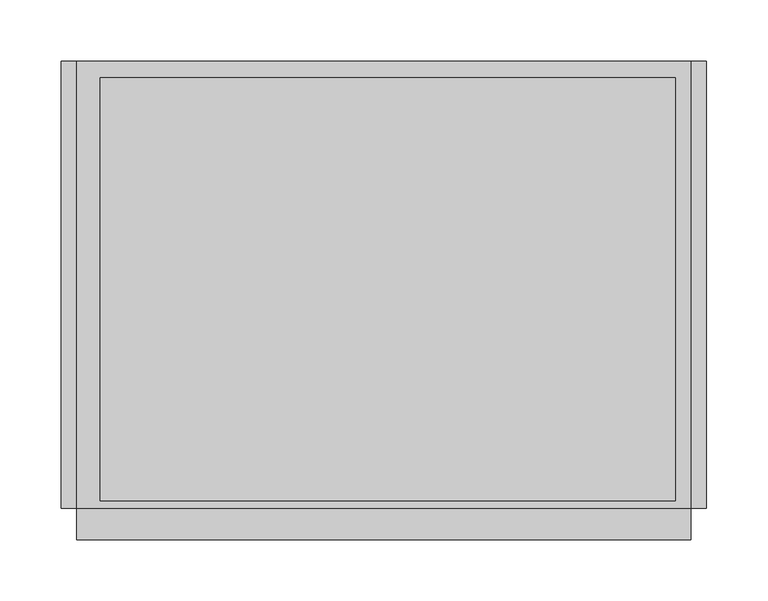
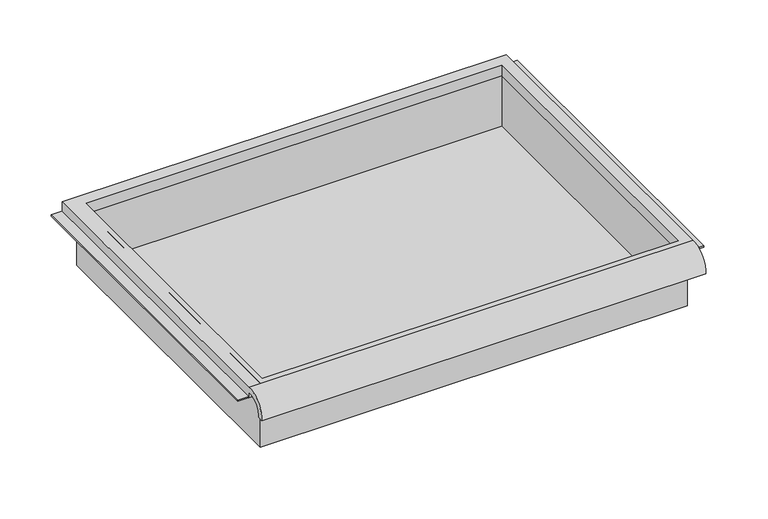
"""IFC4 building model written with IfcOpenShell, lengths in millimetres: furniture geometry."""

from ifc_helpers import new_model, si_unit, frame, origin, place, context, project, spatial, polyline, circle_curve, faceted_brep, source, transform, mapped, element, save
from ifc_brep_helpers import plane_surface, cylinder_surface, revolved_surface, advanced_brep


def furniture_32420fce(model_context):
    return source(origin(), model_context, "Body", "SolidModel", [
        advanced_brep(
        [(263.7474999, -195.297482, 888.2035672), (263.7474999, -188.9125, 888.2035672), (263.7474999, -169.8625, 906.4650404), (263.7474999, -169.8625, 900.11504), (263.7474999, 195.2625, 900.11504), (263.7474999, 195.2625, 912.8150404), (263.7474999, -169.8625, 912.8150404), (-237.9025001, -195.297482, 888.2035672), (-237.9025001, -169.8625, 912.8150404), (-237.9025001, 195.2625, 912.8150404), (-237.9025001, 195.2625, 900.11504), (-237.9025001, -169.8625, 900.11504), (-237.9025001, -169.8625, 906.4650404), (-237.9025001, -188.9125, 888.2035672), (251.0474878, 181.9275, 900.11504), (-218.8095642, 181.9275, 900.11504), (-218.8095642, -163.5125, 900.11504), (251.0474878, -163.5125, 900.11504), (-218.8095642, 181.9275, 912.8150404), (251.0474878, 181.9275, 912.8150404), (251.0474878, -163.5125, 912.8150404), (-218.8095642, -163.5125, 912.8150404)],
        [
            (0, 1),
            (1, 2, circle_curve(frame((263.7474999, -172.3404634, 889.9829776), z_axis=(-1.0, 0.0, 0.0), x_axis=(0.0, 1.0, 0.0)), 16.6672942)),
            (2, 3),
            (3, 4),
            (4, 5),
            (5, 6),
            (6, 0, circle_curve(frame((263.7474999, -172.4601678, 890.0508676), z_axis=(1.0, 0.0, 0.0), x_axis=(0.0, 1.0, 0.0)), 22.9119061)),
            (7, 8, circle_curve(frame((-237.9025001, -172.4601678, 890.0508676), z_axis=(-1.0, 0.0, 0.0), x_axis=(0.0, 1.0, 0.0)), 22.9119061)),
            (8, 9),
            (9, 10),
            (10, 11),
            (11, 12),
            (12, 13, circle_curve(frame((-237.9025001, -172.3404634, 889.9829776), z_axis=(1.0, 0.0, 0.0), x_axis=(0.0, 1.0, 0.0)), 16.6672942)),
            (13, 7),
            (0, 7),
            (13, 1),
            (12, 2),
            (11, 3),
            (10, 4),
            (14, 15),
            (15, 16),
            (16, 17),
            (17, 14),
            (9, 5),
            (8, 6),
            (18, 19),
            (19, 20),
            (20, 21),
            (21, 18),
            (14, 19),
            (18, 15),
            (21, 16),
            (20, 17),
        ],
        [
            plane_surface(frame((263.7474999, -195.297482, 888.2035672), z_axis=(1.0, 0.0, 0.0), x_axis=(0.0, 1.0, 0.0))),
            plane_surface(frame((-237.9025001, -195.297482, 888.2035672), z_axis=(-1.0, 0.0, 0.0), x_axis=(0.0, -1.0, 0.0))),
            plane_surface(frame((263.7474999, -195.297482, 888.2035672), z_axis=(0.0, 0.0, -1.0), x_axis=(-1.0, 0.0, 0.0))),
            revolved_surface(polyline([(-237.9025001, -155.67316920000002, 889.9829776), (263.7474999, -155.67316920000002, 889.9829776)]), (-237.9025001, -172.3404634, 889.9829776), (-1.0, 0.0, 0.0)),
            plane_surface(frame((263.7474999, -169.8625, 906.4650404), z_axis=(0.0, -1.0, 0.0), x_axis=(-1.0, 0.0, 0.0))),
            plane_surface(frame((263.7474999, -169.8625, 900.11504), z_axis=(0.0, 0.0, -1.0), x_axis=(-1.0, 0.0, 0.0))),
            plane_surface(frame((263.7474999, 195.2625, 900.11504), z_axis=(0.0, 1.0, 0.0), x_axis=(-1.0, 0.0, 0.0))),
            plane_surface(frame((263.7474999, 195.2625, 912.8150404), z_axis=(0.0, 0.0, 1.0), x_axis=(-1.0, 0.0, 0.0))),
            cylinder_surface(frame((-237.9025001, -172.4601678, 890.0508676), z_axis=(1.0, 0.0, 0.0), x_axis=(0.0, 1.0, 0.0)), 22.9119061),
            plane_surface(frame((251.0474878, 181.9275, 912.8150404), z_axis=(0.0, -1.0, 0.0), x_axis=(0.0, 0.0, -1.0))),
            plane_surface(frame((-218.8095642, 181.9275, 912.8150404), z_axis=(1.0, 0.0, 0.0), x_axis=(0.0, 0.0, -1.0))),
            plane_surface(frame((-218.8095642, -163.5125, 912.8150404), z_axis=(0.0, 1.0, 0.0), x_axis=(0.0, 0.0, -1.0))),
            plane_surface(frame((251.0474878, -163.5125, 912.8150404), z_axis=(-1.0, 0.0, 0.0), x_axis=(0.0, 0.0, -1.0))),
        ],
        [
            (0, [[1, 2, 3, 4, 5, 6, 7]]),
            (1, [[8, 9, 10, 11, 12, 13, 14]]),
            (2, [[-1, 15, -14, 16]]),
            (3, [[-2, -16, -13, 17]]),
            (4, [[-3, -17, -12, 18]]),
            (5, [[-4, -18, -11, 19], [20, 21, 22, 23]]),
            (6, [[-5, -19, -10, 24]]),
            (7, [[-6, -24, -9, 25], [26, 27, 28, 29]]),
            (8, [[-7, -25, -8, -15]]),
            (9, [[30, -26, 31, -20]]),
            (10, [[-31, -29, 32, -21]]),
            (11, [[-32, -28, 33, -22]]),
            (12, [[-30, -23, -33, -27]]),
        ],
    ),
        faceted_brep([(-225.2025001, -169.8625, 836.6150404), (257.3974878, -169.8625, 836.6150404), (257.3974878, -169.8625, 912.8150404), (-225.2025001, -169.8625, 912.8150404), (-225.2025001, 188.9125, 836.6150404), (-225.2025001, 188.9125, 912.8150404), (257.3974878, 188.9125, 912.8150404), (257.3974878, 188.9125, 836.6150404), (-218.8095642, 181.9275, 912.8150404), (251.0474878, 181.9275, 912.8150404), (251.0474878, -163.5125, 912.8150404), (-218.8095642, -163.5125, 912.8150404), (251.0474878, 181.9275, 839.7900404), (-218.8095642, 181.9275, 839.7900404), (-218.8095642, -163.5125, 839.7900404), (251.0474878, -163.5125, 839.7900404)], [[[0, 1, 2, 3]], [[4, 5, 6, 7]], [[1, 0, 4, 7]], [[2, 1, 7, 6]], [[3, 2, 6, 5], [8, 9, 10, 11]], [[0, 3, 5, 4]], [[12, 13, 14, 15]], [[13, 12, 9, 8]], [[14, 13, 8, 11]], [[15, 14, 11, 10]], [[12, 15, 10, 9]]]),
        faceted_brep([(-250.6025001, 195.2625, 900.11504), (-250.6025001, 195.2625, 901.70254), (-231.5525001, 195.2625, 901.70254), (-231.5525001, 195.2625, 900.11504), (-250.6025001, -169.8625, 900.11504), (-231.5525001, -169.8625, 900.11504), (-231.5525001, -169.8625, 901.70254), (-250.6025001, -169.8625, 901.70254)], [[[0, 1, 2, 3]], [[4, 5, 6, 7]], [[1, 0, 4, 7]], [[2, 1, 7, 6]], [[3, 2, 6, 5]], [[0, 3, 5, 4]]]),
        faceted_brep([(276.4474999, 195.2625, 900.11504), (263.7474999, 195.2625, 900.11504), (263.7474999, 195.2625, 901.70254), (276.4474999, 195.2625, 901.70254), (276.4474999, -169.8625, 900.11504), (276.4474999, -169.8625, 901.70254), (263.7474999, -169.8625, 901.70254), (263.7474999, -169.8625, 900.11504)], [[[0, 1, 2, 3]], [[4, 5, 6, 7]], [[1, 0, 4, 7]], [[2, 1, 7, 6]], [[3, 2, 6, 5]], [[0, 3, 5, 4]]]),
    ])


if __name__ == "__main__":
    model = new_model("IFC4")
    model_context = context("Model", 3, world=origin())
    ifc_project = project(units=[si_unit("LENGTHUNIT", "METRE", prefix="MILLI")], contexts=[model_context])
    site = spatial("IfcSite", under=ifc_project)
    building = spatial("IfcBuilding", under=site)
    placement = place(None, origin())
    furniture_shape = furniture_32420fce(model_context)
    element("IfcFurniture", 1, at=placement, inside=building, context=model_context, shape_type="MappedRepresentation", body=[
        mapped(furniture_shape, transform((0.0, 0.0, 0.0), x_axis=(1.0, 0.0, 0.0), y_axis=(0.0, 1.0, 0.0), z_axis=(0.0, 0.0, 1.0))),
    ])
    save(model, "model.ifc")
